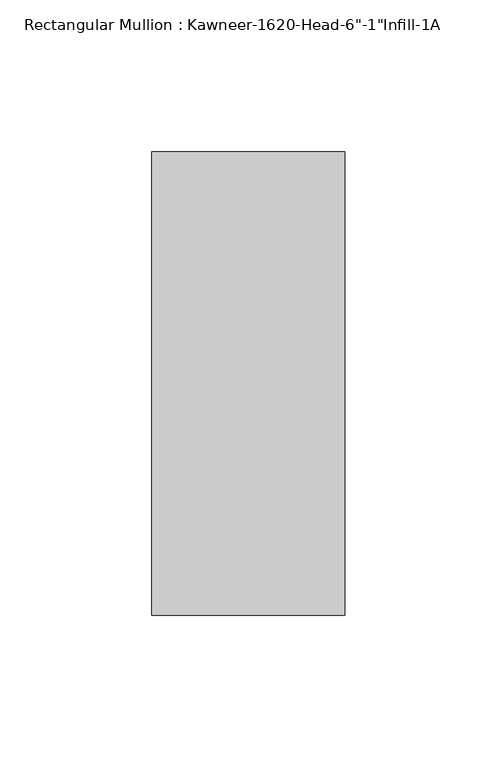
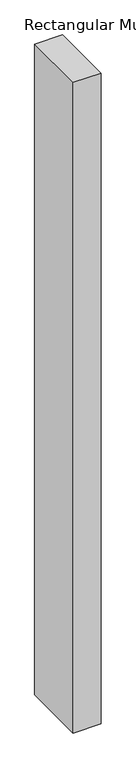
"""IFC4 building model written with IfcOpenShell, lengths in millimetres: member geometry."""

from ifc_helpers import new_model, si_unit, frame, origin, place, context, project, spatial, polyline, outline, extrude, source, transform, mapped, element, save


def member_6219d785(model_context):
    return source(origin(), model_context, "Body", "SweptSolid", [
        extrude(outline(polyline([(-63.5, 38.1), (0.0, 38.1), (0.0, -114.3), (-63.5, -114.3), (-63.5, 38.1)])), frame((0.0, 0.0, -1574.8), z_axis=(0.0, 0.0, 1.0), x_axis=(1.0, 0.0, 0.0)), (0.0, 0.0, 1.0), 1574.8),
    ])


if __name__ == "__main__":
    model = new_model("IFC4")
    model_context = context("Model", 3, world=origin())
    ifc_project = project(units=[si_unit("LENGTHUNIT", "METRE", prefix="MILLI")], contexts=[model_context])
    site = spatial("IfcSite", under=ifc_project)
    building = spatial("IfcBuilding", under=site)
    placement = place(None, origin())
    member_shape = member_6219d785(model_context)
    element("IfcMember", 1, ObjectType="Rectangular Mullion : Kawneer-1620-Head-6\"-1\"Infill-1A", at=placement, inside=building, context=model_context, shape_type="MappedRepresentation", body=[
        mapped(member_shape, transform((0.0, 0.0, 0.0), x_axis=(1.0, 0.0, 0.0), y_axis=(0.0, 1.0, 0.0), z_axis=(0.0, 0.0, 1.0))),
    ])
    save(model, "model.ifc")
